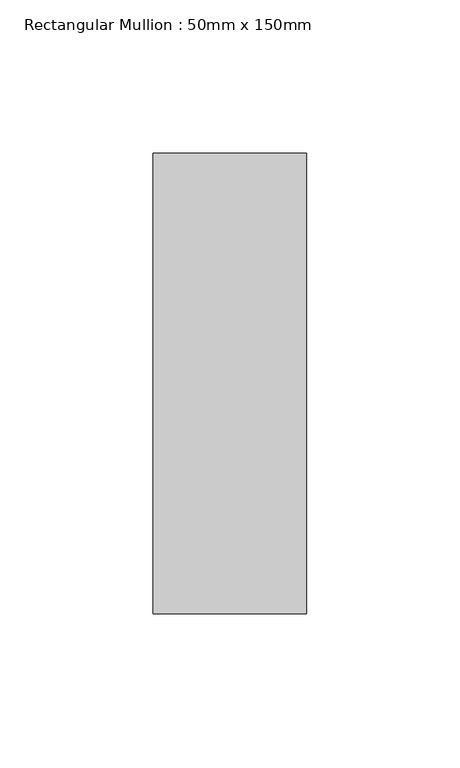
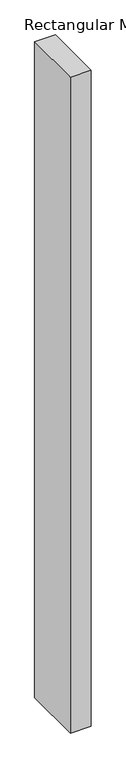
"""IFC4 building model written with IfcOpenShell, lengths in millimetres: member geometry, Rectangular Mullion : 50mm x 150mm."""

from ifc_helpers import new_model, si_unit, frame, origin, place, context, project, spatial, polyline, outline, extrude, source, transform, mapped, element, save


def rectangular_mullion_50mm_x_150mm_55b0f31f(model_context):
    return source(origin(), model_context, "Body", "SweptSolid", [
        extrude(outline(polyline([(0.0, 75.0), (0.0, -75.0), (-50.0, -75.0), (-50.0, 75.0), (0.0, 75.0)])), frame((0.0, 0.0, -1678.0000002), z_axis=(0.0, 0.0, 1.0), x_axis=(1.0, 0.0, 0.0)), (0.0, 0.0, 1.0), 1678.0000002),
    ])


if __name__ == "__main__":
    model = new_model("IFC4")
    model_context = context("Model", 3, world=origin())
    ifc_project = project(units=[si_unit("LENGTHUNIT", "METRE", prefix="MILLI")], contexts=[model_context])
    site = spatial("IfcSite", under=ifc_project)
    building = spatial("IfcBuilding", under=site)
    placement = place(None, origin())
    rectangular_mullion_50mm_x_150mm_shape = rectangular_mullion_50mm_x_150mm_55b0f31f(model_context)
    element("IfcMember", 1, ObjectType="Rectangular Mullion : 50mm x 150mm", at=placement, inside=building, context=model_context, shape_type="MappedRepresentation", body=[
        mapped(rectangular_mullion_50mm_x_150mm_shape, transform((0.0, 0.0, 0.0), x_axis=(1.0, 0.0, 0.0), y_axis=(0.0, 1.0, 0.0), z_axis=(0.0, 0.0, 1.0))),
    ])
    save(model, "model.ifc")
